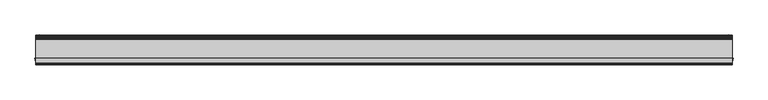
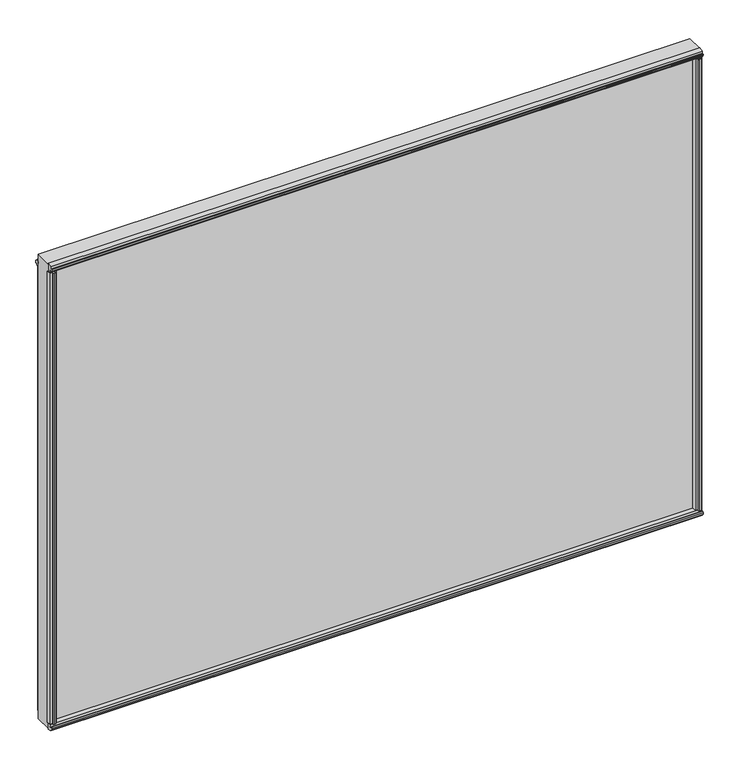
"""IFC4 building model written with IfcOpenShell, lengths in millimetres: plate geometry."""

from ifc_helpers import new_model, si_unit, frame, origin, origin_with_axes, place, context, project, spatial, polyline, outline, extrude, source, transform, mapped, element, save


def plate_1901c418(model_context):
    return source(origin(), model_context, "Body", "SweptSolid", [
        extrude(outline(polyline([(569.8998, 4.7498), (573.405, 4.7498), (573.8876, 7.4676), (572.3382, 7.2136), (572.3382, 8.0264), (574.675, 8.4328), (577.0118, 8.0264), (577.0118, 7.2136), (575.4624, 7.4676), (575.945, 4.7498), (579.4502, 4.7498), (579.9779556, 2.498043), (579.4502, 0.0), (569.8998, 0.0), (569.3720444, 2.498043), (569.8998, 4.7498)])), frame((0.0, 0.0, 12.303125), z_axis=(0.0, 0.0, 1.0), x_axis=(1.0, 0.0, 0.0)), (0.0, 0.0, 1.0), 834.1363439),
        extrude(outline(polyline([(-575.945, 4.7498), (-575.4624, 7.4676), (-577.0118, 7.2136), (-577.0118, 8.0264), (-574.675, 8.4328), (-572.3382, 8.0264), (-572.3382, 7.2136), (-573.8876, 7.4676), (-573.405, 4.7498), (-569.8998, 4.7498), (-569.3720444, 2.498043), (-569.8998, 0.0), (-579.4502, 0.0), (-579.9779556, 2.498043), (-579.4502, 4.7498), (-575.945, 4.7498)])), frame((0.0, 0.0, 12.303125), z_axis=(0.0, 0.0, 1.0), x_axis=(1.0, 0.0, 0.0)), (0.0, 0.0, 1.0), 834.1363439),
        extrude(outline(polyline([(-574.6784571, -39.5931295), (-573.1299754, -39.3335897), (-573.1270684, -40.1463845), (-575.4624, -40.5611395), (-577.8006386, -40.1630997), (-577.8006386, -39.3503049), (-576.253247, -39.5987618), (-576.7455727, -36.8826581), (-581.0409219, -36.8826581), (-582.2631967, -30.1244), (-568.7448239, -30.1244), (-569.9130079, -36.8582683), (-574.2029109, -36.8582683), (-574.6784571, -39.5931295)])), frame((0.0, 0.0, 12.303125), z_axis=(0.0, 0.0, 1.0), x_axis=(1.0, 0.0, 0.0)), (0.0, 0.0, 1.0), 850.6066564),
        extrude(outline(polyline([(576.253247, -39.5987618), (577.7992, -39.3510013), (577.7992, -40.1633446), (575.4624, -40.5611395), (573.1256, -40.1461237), (573.1256, -39.3328563), (574.6784571, -39.5931295), (574.2055804, -36.8736209), (569.9130079, -36.8736209), (568.7448239, -30.1244), (582.2631967, -30.1244), (581.0409134, -36.8827052), (576.7455642, -36.8827052), (576.253247, -39.5987618)])), frame((0.0, 0.0, 12.303125), z_axis=(0.0, 0.0, 1.0), x_axis=(1.0, 0.0, 0.0)), (0.0, 0.0, 1.0), 850.6066564),
        extrude(outline(polyline([(-30.1244, 12.8880688), (-30.1244, -1.5575618), (-38.3876619, 0.3386981), (-37.7963354, 4.590374), (-40.4217442, 5.4427636), (-40.3836033, 3.8731454), (-41.1886544, 3.9851125), (-41.269274, 6.3556179), (-40.5448426, 8.6141559), (-39.7397916, 8.5021887), (-40.2048076, 7.00255), (-37.4464371, 7.1061584), (-36.8551106, 11.3578343), (-30.1244, 12.8880688)])), frame((-581.025, 0.0, 0.0), z_axis=(1.0, 0.0, 0.0), x_axis=(0.0, 1.0, 0.0)), (0.0, 0.0, 1.0), 1162.05),
        extrude(outline(polyline([(-581.025, 0.0), (581.025, 0.0), (581.025, -30.1244), (-581.025, -30.1244), (-581.025, 0.0)])), origin_with_axes(), (0.0, 0.0, 1.0), 875.6097814),
        extrude(outline(polyline([(-41.1923071, 871.6241608), (-40.3836033, 871.736636), (-40.4217442, 870.1670178), (-37.7963354, 871.0194074), (-38.3876619, 875.2710832), (-30.1244, 877.1673432), (-30.1244, 862.7217126), (-36.8551106, 864.2519471), (-37.4489919, 868.5219921), (-40.2048076, 868.6072314), (-39.7397916, 867.1075926), (-40.5448426, 866.9956255), (-41.269274, 869.2541635), (-41.1923071, 871.6241608)])), frame((-581.025, 0.0, 0.0), z_axis=(1.0, 0.0, 0.0), x_axis=(0.0, 1.0, 0.0)), (0.0, 0.0, 1.0), 1162.05),
        extrude(outline(polyline([(7e-07, 863.1963803), (1.2801385, 863.2483231), (1.6431889, 864.120763), (4.013566, 863.9550101), (4.5281084, 863.1921696), (5.2493506, 862.8216887), (4.999789, 859.3253841), (7.0854389, 858.7203963), (6.9875562, 860.2530141), (7.7844071, 860.1961359), (7.9539912, 857.8412859), (7.4516584, 855.5343964), (6.6548075, 855.5912746), (6.9699201, 857.0909614), (4.8189473, 856.79183), (4.5693858, 853.2955254), (3.7550817, 853.0147772), (3.0688701, 852.2997816), (0.8065329, 852.5305062), (0.602008, 853.4328697), (-0.6799641, 853.6702169), (7e-07, 863.1963803)])), frame((-581.025, 0.0, 0.0), z_axis=(1.0, 0.0, 0.0), x_axis=(0.0, 1.0, 0.0)), (0.0, 0.0, 1.0), 1162.05),
    ])


if __name__ == "__main__":
    model = new_model("IFC4")
    model_context = context("Model", 3, world=origin())
    ifc_project = project(units=[si_unit("LENGTHUNIT", "METRE", prefix="MILLI")], contexts=[model_context])
    site = spatial("IfcSite", under=ifc_project)
    building = spatial("IfcBuilding", under=site)
    placement = place(None, origin())
    plate_shape = plate_1901c418(model_context)
    element("IfcPlate", 1, at=placement, inside=building, context=model_context, shape_type="MappedRepresentation", body=[
        mapped(plate_shape, transform((0.0, 0.0, 0.0), x_axis=(1.0, 0.0, 0.0), y_axis=(0.0, 1.0, 0.0), z_axis=(0.0, 0.0, 1.0))),
    ])
    save(model, "model.ifc")
